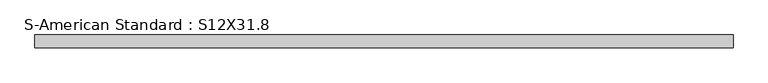
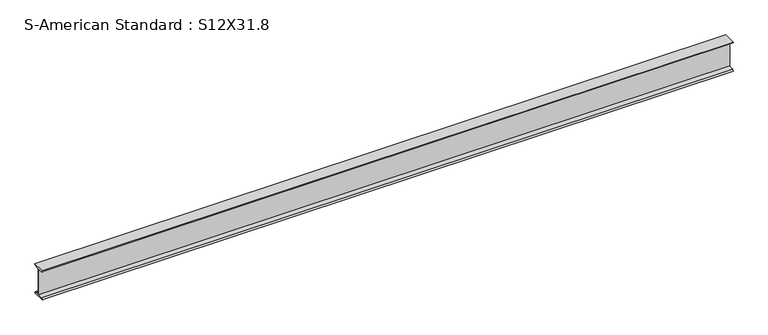
"""IFC4 building model written with IfcOpenShell, lengths in millimetres: beam geometry, S-American Standard : S12X31.8."""

from ifc_helpers import new_model, si_unit, point, frame, frame_2d, origin, place, context, project, spatial, polyline, circle_curve, trimmed, segment, composite_curve, outline, extrude, source, transform, mapped, element, save


def s_american_standard_s12x31_8_18bb0227(model_context):
    return source(origin(), model_context, "Body", "SweptSolid", [
        extrude(outline(composite_curve([segment(polyline([(-63.5, 152.4), (63.5, 152.4)]), True, "CONTINUOUS"), segment(trimmed(circle_curve(frame_2d((49.7, 152.4)), 13.8), [point((63.5, 152.4))], [point((49.7, 138.6))], False, "CARTESIAN"), True, "CONTINUOUS"), segment(polyline([(49.7, 138.6), (4.45, 131.4331041), (4.45, -131.4331041), (49.7, -138.6)]), True, "CONTINUOUS"), segment(trimmed(circle_curve(frame_2d((49.7, -152.4)), 13.8), [point((49.7, -138.6))], [point((63.5, -152.4))], False, "CARTESIAN"), True, "CONTINUOUS"), segment(polyline([(63.5, -152.4), (-63.5, -152.4)]), True, "CONTINUOUS"), segment(trimmed(circle_curve(frame_2d((-49.7, -152.4)), 13.8), [point((-63.5, -152.4))], [point((-49.7, -138.6))], False, "CARTESIAN"), True, "CONTINUOUS"), segment(polyline([(-49.7, -138.6), (-4.45, -131.4331041), (-4.45, 131.4331041), (-49.7, 138.6)]), True, "CONTINUOUS"), segment(trimmed(circle_curve(frame_2d((-49.7, 152.4)), 13.8), [point((-49.7, 138.6))], [point((-63.5, 152.4))], False, "CARTESIAN"), True, "CONTINUOUS")], self_intersect=False)), frame((-2716.9129984, 0.0, 0.0), z_axis=(1.0, 0.0, 0.0), x_axis=(0.0, 1.0, 0.0)), (0.0, 0.0, 1.0), 6876.9912822),
    ])


if __name__ == "__main__":
    model = new_model("IFC4")
    model_context = context("Model", 3, world=origin())
    ifc_project = project(units=[si_unit("LENGTHUNIT", "METRE", prefix="MILLI")], contexts=[model_context])
    site = spatial("IfcSite", under=ifc_project)
    building = spatial("IfcBuilding", under=site)
    placement = place(None, origin())
    s_american_standard_s12x31_8_shape = s_american_standard_s12x31_8_18bb0227(model_context)
    element("IfcBeam", 1, ObjectType="S-American Standard : S12X31.8", at=placement, inside=building, context=model_context, shape_type="MappedRepresentation", body=[
        mapped(s_american_standard_s12x31_8_shape, transform((0.0, 0.0, 0.0), x_axis=(1.0, 0.0, 0.0), y_axis=(0.0, 1.0, 0.0), z_axis=(0.0, 0.0, 1.0))),
    ])
    save(model, "model.ifc")
